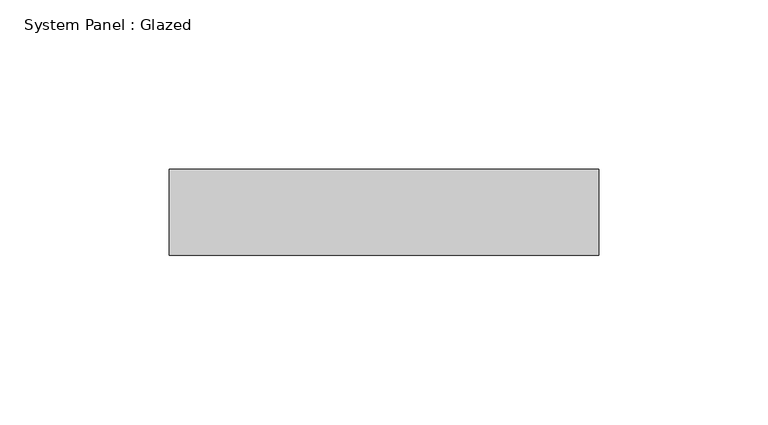
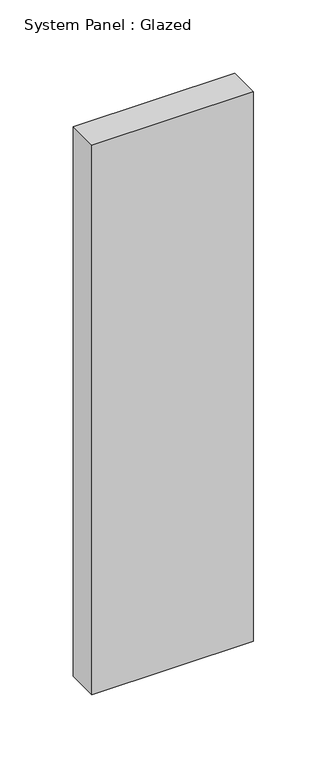
"""IFC4 building model written with IfcOpenShell, lengths in millimetres: plate geometry, System Panel : Glazed."""

from ifc_helpers import new_model, si_unit, origin, origin_with_axes, place, context, project, spatial, polyline, outline, extrude, source, transform, mapped, element, save


def system_panel_glazed_768d9317(model_context):
    return source(origin(), model_context, "Body", "SweptSolid", [
        extrude(outline(polyline([(63.5, 19.05), (-63.5, 19.05), (-63.5, 44.45), (63.5, 44.45), (63.5, 19.05)])), origin_with_axes(), (0.0, 0.0, 1.0), 457.2),
    ])


if __name__ == "__main__":
    model = new_model("IFC4")
    model_context = context("Model", 3, world=origin())
    ifc_project = project(units=[si_unit("LENGTHUNIT", "METRE", prefix="MILLI")], contexts=[model_context])
    site = spatial("IfcSite", under=ifc_project)
    building = spatial("IfcBuilding", under=site)
    placement = place(None, origin())
    system_panel_glazed_shape = system_panel_glazed_768d9317(model_context)
    element("IfcPlate", 1, ObjectType="System Panel : Glazed", at=placement, inside=building, context=model_context, shape_type="MappedRepresentation", body=[
        mapped(system_panel_glazed_shape, transform((0.0, 0.0, 0.0), x_axis=(1.0, 0.0, 0.0), y_axis=(0.0, 1.0, 0.0), z_axis=(0.0, 0.0, 1.0))),
    ])
    save(model, "model.ifc")
